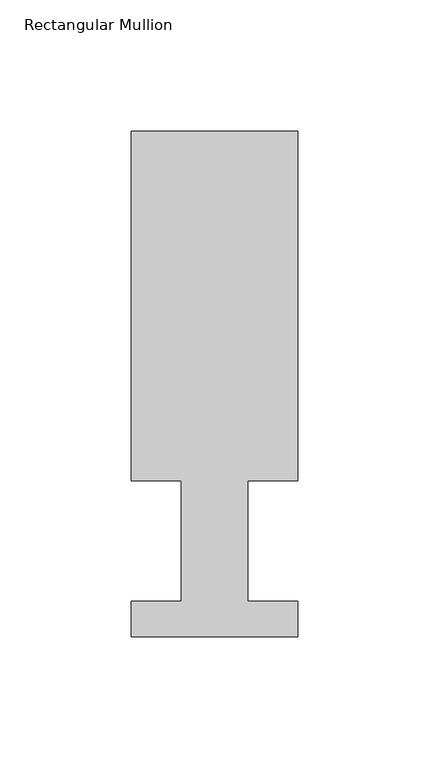
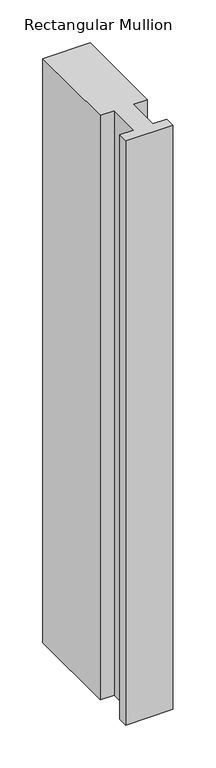
"""IFC4 building model written with IfcOpenShell, lengths in millimetres: member geometry, Rectangular Mullion."""

from ifc_helpers import new_model, si_unit, frame, origin, place, context, project, spatial, polyline, outline, extrude, source, transform, mapped, element, save


def rectangular_mullion_7b269325(model_context):
    return source(origin(), model_context, "Body", "SweptSolid", [
        extrude(outline(polyline([(-31.75, 192.88125), (31.75, 192.88125), (31.75, 59.53125), (12.7, 59.53125), (12.7, 13.50645), (31.75, 13.50645), (31.75, 0.04445), (-31.75, 0.04445), (-31.75, 13.50645), (-12.7, 13.50645), (-12.7, 59.53125), (-31.75, 59.53125), (-31.75, 192.88125)])), frame((0.0, 0.0, -831.85), z_axis=(0.0, 0.0, 1.0), x_axis=(1.0, 0.0, 0.0)), (0.0, 0.0, 1.0), 831.85),
    ])


if __name__ == "__main__":
    model = new_model("IFC4")
    model_context = context("Model", 3, world=origin())
    ifc_project = project(units=[si_unit("LENGTHUNIT", "METRE", prefix="MILLI")], contexts=[model_context])
    site = spatial("IfcSite", under=ifc_project)
    building = spatial("IfcBuilding", under=site)
    placement = place(None, origin())
    rectangular_mullion_shape = rectangular_mullion_7b269325(model_context)
    element("IfcMember", 1, ObjectType="Rectangular Mullion", at=placement, inside=building, context=model_context, shape_type="MappedRepresentation", body=[
        mapped(rectangular_mullion_shape, transform((0.0, 0.0, 0.0), x_axis=(1.0, 0.0, 0.0), y_axis=(0.0, 1.0, 0.0), z_axis=(0.0, 0.0, 1.0))),
    ])
    save(model, "model.ifc")
